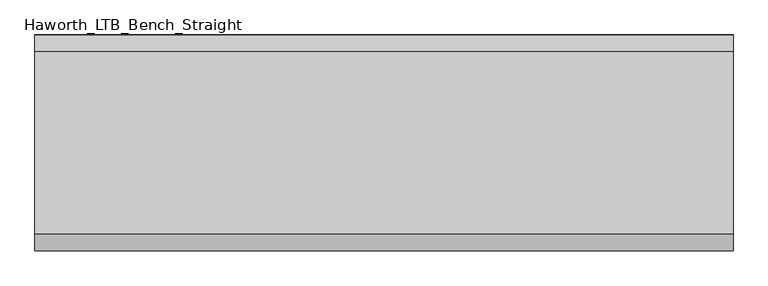
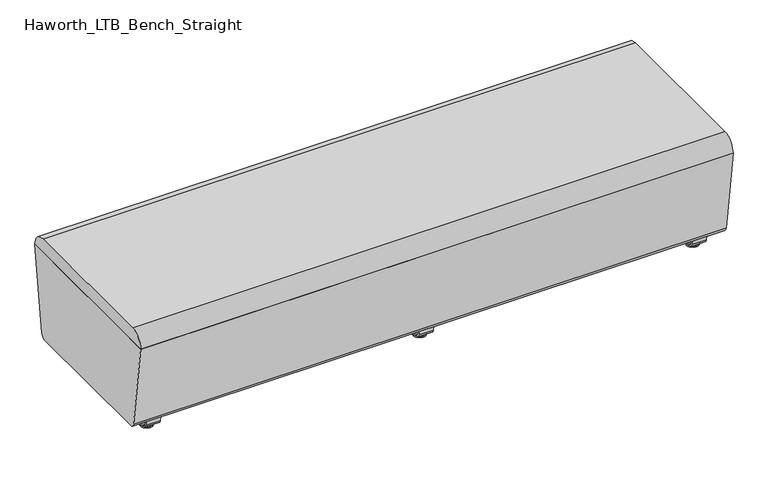
"""IFC4 building model written with IfcOpenShell, lengths in millimetres: furniture geometry, Haworth_LTB_Bench_Straight."""

from ifc_helpers import new_model, si_unit, point, frame, frame_2d, origin, place, context, project, spatial, polyline, circle_curve, ellipse_curve, trimmed, segment, composite_curve, outline, extrude, source, transform, mapped, element, save
from ifc_brep_helpers import plane_surface, cylinder_surface, revolved_surface, advanced_brep


def haworth_ltb_bench_straight_1d1fada4(model_context):
    return source(origin(), model_context, "Body", "SolidModel", [
        advanced_brep(
        [(0.0, -211.0425052, 7.8133431), (0.0, -227.0355515, 7.8133431), (0.0, -223.8015284, 7.8133431), (0.0, -214.2765284, 7.8133431), (0.0, -197.1001513, 4.0775), (0.0, -240.9779054, 4.0775), (0.0, -197.5107026, 0.0), (0.0, -240.5673542, 0.0), (0.0, -219.0390284, 0.0), (0.0, -214.2765284, 50.0000004), (0.0, -223.8015284, 50.0000004), (0.0, -219.0390284, 50.0000004)],
        [
            (0, 1, circle_curve(frame((0.0, -219.0390284, 7.8133431), z_axis=(0.0, 0.0, 1.0), x_axis=(0.0, -1.0, 0.0)), 7.9965232)),
            (1, 2),
            (2, 3, circle_curve(frame((0.0, -219.0390284, 7.8133431), z_axis=(0.0, 0.0, -1.0), x_axis=(0.0, -1.0, 0.0)), 4.7625)),
            (3, 0),
            (1, 0, circle_curve(frame((0.0, -219.0390284, 7.8133431), z_axis=(0.0, 0.0, 1.0), x_axis=(0.0, -1.0, 0.0)), 7.9965232)),
            (3, 2, circle_curve(frame((0.0, -219.0390284, 7.8133431), z_axis=(0.0, 0.0, -1.0), x_axis=(0.0, -1.0, 0.0)), 4.7625)),
            (4, 5, circle_curve(frame((0.0, -219.0390284, 4.0775), z_axis=(0.0, 0.0, 1.0), x_axis=(0.0, -1.0, 0.0)), 21.9388771)),
            (5, 1),
            (0, 4),
            (5, 4, circle_curve(frame((0.0, -219.0390284, 4.0775), z_axis=(0.0, 0.0, 1.0), x_axis=(0.0, -1.0, 0.0)), 21.9388771)),
            (6, 7, circle_curve(frame((0.0, -219.0390284, 0.0), z_axis=(0.0, 0.0, 1.0), x_axis=(0.0, -1.0, 0.0)), 21.5283258)),
            (7, 5, circle_curve(frame((0.0, -240.4405822, 2.0721829), z_axis=(-1.0, 0.0, 0.0), x_axis=(0.0, 1.0, 0.0)), 2.0760571)),
            (4, 6, circle_curve(frame((0.0, -197.6374745, 2.0721829), z_axis=(-1.0, 0.0, 0.0), x_axis=(0.0, -1.0, 0.0)), 2.0760571)),
            (7, 6, circle_curve(frame((0.0, -219.0390284, 0.0), z_axis=(0.0, 0.0, 1.0), x_axis=(0.0, -1.0, 0.0)), 21.5283258)),
            (8, 7),
            (6, 8),
            (9, 10, circle_curve(frame((0.0, -219.0390284, 50.0000004), z_axis=(0.0, 0.0, 1.0), x_axis=(0.0, -1.0, 0.0)), 4.7625)),
            (10, 11),
            (11, 9),
            (10, 9, circle_curve(frame((0.0, -219.0390284, 50.0000004), z_axis=(0.0, 0.0, 1.0), x_axis=(0.0, -1.0, 0.0)), 4.7625)),
            (2, 10),
            (9, 3),
        ],
        [
            plane_surface(frame((0.0, -219.0390284, 7.8133431), z_axis=(0.0, 0.0, 1.0), x_axis=(0.0, -1.0, 0.0))),
            revolved_surface(polyline([(0.0, -227.0355515, 7.8133431), (0.0, -240.9779054, 4.0775)]), (0.0, -219.0390284, 0.0), (0.0, 0.0, -1.0)),
            revolved_surface(trimmed(ellipse_curve(frame((0.0, -240.4405822, 2.0721829), z_axis=(1.0, 0.0, 0.0), x_axis=(0.0, 1.0, 0.0)), 2.0760571, 2.0760571), [point((0.0, -240.9779054, 4.0775))], [point((0.0, -240.5673542, 0.0))], True, "CARTESIAN"), (0.0, -219.0390284, 0.0), (0.0, 0.0, -1.0)),
            plane_surface(frame((0.0, -219.0390284, 0.0), z_axis=(0.0, 0.0, -1.0), x_axis=(0.0, -1.0, 0.0))),
            plane_surface(frame((0.0, -219.0390284, 50.0000004), z_axis=(0.0, 0.0, 1.0), x_axis=(0.0, -1.0, 0.0))),
            cylinder_surface(frame((0.0, -219.0390284, 0.0), z_axis=(0.0, 0.0, -1.0), x_axis=(0.0, -1.0, 0.0)), 4.7625),
        ],
        [
            (0, [[1, 2, 3, 4]]),
            (0, [[5, -4, 6, -2]]),
            (1, [[7, 8, -1, 9]]),
            (1, [[10, -9, -5, -8]]),
            (2, [[11, 12, -7, 13]]),
            (2, [[14, -13, -10, -12]]),
            (3, [[15, -11, 16]]),
            (3, [[-16, -14, -15]]),
            (4, [[17, 18, 19]]),
            (4, [[20, -19, -18]]),
            (5, [[-3, 21, -17, 22]]),
            (5, [[-6, -22, -20, -21]]),
        ],
    ),
        advanced_brep(
        [(0.0, 214.2765284, 7.8133431), (0.0, 223.8015284, 7.8133431), (0.0, 227.0355515, 7.8133431), (0.0, 211.0425052, 7.8133431), (0.0, 240.9779054, 4.0775), (0.0, 197.1001513, 4.0775), (0.0, 240.5673542, 0.0), (0.0, 197.5107026, 0.0), (0.0, 219.0390284, 0.0), (0.0, 219.0390284, 50.0000004), (0.0, 223.8015284, 50.0000004), (0.0, 214.2765284, 50.0000004)],
        [
            (0, 1, circle_curve(frame((0.0, 219.0390284, 7.8133431), z_axis=(0.0, 0.0, -1.0), x_axis=(0.0, 1.0, 0.0)), 4.7625)),
            (1, 2),
            (2, 3, circle_curve(frame((0.0, 219.0390284, 7.8133431), z_axis=(0.0, 0.0, 1.0), x_axis=(0.0, 1.0, 0.0)), 7.9965232)),
            (3, 0),
            (1, 0, circle_curve(frame((0.0, 219.0390284, 7.8133431), z_axis=(0.0, 0.0, -1.0), x_axis=(0.0, 1.0, 0.0)), 4.7625)),
            (3, 2, circle_curve(frame((0.0, 219.0390284, 7.8133431), z_axis=(0.0, 0.0, 1.0), x_axis=(0.0, 1.0, 0.0)), 7.9965232)),
            (2, 4),
            (4, 5, circle_curve(frame((0.0, 219.0390284, 4.0775), z_axis=(0.0, 0.0, 1.0), x_axis=(0.0, 1.0, 0.0)), 21.9388771)),
            (5, 3),
            (5, 4, circle_curve(frame((0.0, 219.0390284, 4.0775), z_axis=(0.0, 0.0, 1.0), x_axis=(0.0, 1.0, 0.0)), 21.9388771)),
            (4, 6, circle_curve(frame((0.0, 240.4405822, 2.0721829), z_axis=(-1.0, 0.0, 0.0), x_axis=(0.0, -1.0, 0.0)), 2.0760571)),
            (6, 7, circle_curve(frame((0.0, 219.0390284, 0.0), z_axis=(0.0, 0.0, 1.0), x_axis=(0.0, 1.0, 0.0)), 21.5283258)),
            (7, 5, circle_curve(frame((0.0, 197.6374745, 2.0721829), z_axis=(-1.0, 0.0, 0.0), x_axis=(0.0, 1.0, 0.0)), 2.0760571)),
            (7, 6, circle_curve(frame((0.0, 219.0390284, 0.0), z_axis=(0.0, 0.0, 1.0), x_axis=(0.0, 1.0, 0.0)), 21.5283258)),
            (6, 8),
            (8, 7),
            (9, 10),
            (10, 11, circle_curve(frame((0.0, 219.0390284, 50.0000004), z_axis=(0.0, 0.0, 1.0), x_axis=(0.0, 1.0, 0.0)), 4.7625)),
            (11, 9),
            (11, 10, circle_curve(frame((0.0, 219.0390284, 50.0000004), z_axis=(0.0, 0.0, 1.0), x_axis=(0.0, 1.0, 0.0)), 4.7625)),
            (10, 1),
            (0, 11),
        ],
        [
            plane_surface(frame((0.0, 219.0390284, 7.8133431), z_axis=(0.0, 0.0, 1.0), x_axis=(0.0, 1.0, 0.0))),
            revolved_surface(polyline([(0.0, 240.9779054, 4.0775), (0.0, 227.0355515, 7.8133431)]), (0.0, 219.0390284, 0.0), (0.0, 0.0, 1.0)),
            revolved_surface(trimmed(ellipse_curve(frame((0.0, 240.4405822, 2.0721829), z_axis=(1.0, 0.0, 0.0), x_axis=(0.0, -1.0, 0.0)), 2.0760571, 2.0760571), [point((0.0, 240.5673542, 0.0))], [point((0.0, 240.9779054, 4.0775))], True, "CARTESIAN"), (0.0, 219.0390284, 0.0), (0.0, 0.0, 1.0)),
            plane_surface(frame((0.0, 219.0390284, 0.0), z_axis=(0.0, 0.0, -1.0), x_axis=(0.0, 1.0, 0.0))),
            plane_surface(frame((0.0, 219.0390284, 50.0000004), z_axis=(0.0, 0.0, 1.0), x_axis=(0.0, 1.0, 0.0))),
            cylinder_surface(frame((0.0, 219.0390284, 0.0), z_axis=(0.0, 0.0, 1.0), x_axis=(0.0, 1.0, 0.0)), 4.7625),
        ],
        [
            (0, [[1, 2, 3, 4]]),
            (0, [[5, -4, 6, -2]]),
            (1, [[-3, 7, 8, 9]]),
            (1, [[-6, -9, 10, -7]]),
            (2, [[-8, 11, 12, 13]]),
            (2, [[-10, -13, 14, -11]]),
            (3, [[-12, 15, 16]]),
            (3, [[-14, -16, -15]]),
            (4, [[17, 18, 19]]),
            (4, [[-19, 20, -17]]),
            (5, [[-18, 21, -1, 22]]),
            (5, [[-20, -22, -5, -21]]),
        ],
    ),
        extrude(outline(composite_curve([segment(polyline([(264.8158944, 62.9950557), (259.8853496, 27.9124042)]), True, "CONTINUOUS"), segment(trimmed(circle_curve(frame_2d((245.0313276, 30.0000007)), 15.000001), [point((259.8853496, 27.9124042))], [point((245.0313276, 14.9999997))], False, "CARTESIAN"), True, "CONTINUOUS"), segment(polyline([(245.0313276, 14.9999997), (-245.0313276, 14.9999997)]), True, "CONTINUOUS"), segment(trimmed(circle_curve(frame_2d((-245.0313276, 30.0000007)), 15.000001), [point((-245.0313276, 14.9999997))], [point((-259.8853496, 27.9124042))], False, "CARTESIAN"), True, "CONTINUOUS"), segment(polyline([(-259.8853496, 27.9124042), (-264.8158944, 62.9950557), (-259.1812615, 63.7869505), (-254.2507241, 28.7043023)]), True, "CONTINUOUS"), segment(trimmed(circle_curve(frame_2d((-245.0313262, 30.0000023)), 9.310002), [point((-254.2507241, 28.7043023))], [point((-245.0313262, 20.6900003))], True, "CARTESIAN"), True, "CONTINUOUS"), segment(polyline([(-245.0313262, 20.6900003), (245.0313262, 20.6900003)]), True, "CONTINUOUS"), segment(trimmed(circle_curve(frame_2d((245.0313262, 30.0000023)), 9.310002), [point((245.0313262, 20.6900003))], [point((254.2507241, 28.7043023))], True, "CARTESIAN"), True, "CONTINUOUS"), segment(polyline([(254.2507241, 28.7043023), (259.1812615, 63.7869505), (264.8158944, 62.9950557)]), True, "CONTINUOUS")], self_intersect=False)), frame((-25.4, 0.0, 0.0), z_axis=(1.0, 0.0, 0.0), x_axis=(0.0, 1.0, 0.0)), (0.0, 0.0, 1.0), 50.8),
        advanced_brep(
        [(971.6045358, -211.0425052, 7.8133431), (971.6045358, -227.0355515, 7.8133431), (971.6045358, -223.8015284, 7.8133431), (971.6045358, -214.2765284, 7.8133431), (971.6045358, -197.1001513, 4.0775), (971.6045358, -240.9779054, 4.0775), (971.6045358, -197.5107026, 0.0), (971.6045358, -240.5673542, 0.0), (971.6045358, -219.0390284, 0.0), (971.6045358, -214.2765284, 50.0000004), (971.6045358, -223.8015284, 50.0000004), (971.6045358, -219.0390284, 50.0000004)],
        [
            (0, 1, circle_curve(frame((971.6045358, -219.0390284, 7.8133431), z_axis=(0.0, 0.0, 1.0), x_axis=(0.0, -1.0, 0.0)), 7.9965232)),
            (1, 2),
            (2, 3, circle_curve(frame((971.6045358, -219.0390284, 7.8133431), z_axis=(0.0, 0.0, -1.0), x_axis=(0.0, -1.0, 0.0)), 4.7625)),
            (3, 0),
            (1, 0, circle_curve(frame((971.6045358, -219.0390284, 7.8133431), z_axis=(0.0, 0.0, 1.0), x_axis=(0.0, -1.0, 0.0)), 7.9965232)),
            (3, 2, circle_curve(frame((971.6045358, -219.0390284, 7.8133431), z_axis=(0.0, 0.0, -1.0), x_axis=(0.0, -1.0, 0.0)), 4.7625)),
            (4, 5, circle_curve(frame((971.6045358, -219.0390284, 4.0775), z_axis=(0.0, 0.0, 1.0), x_axis=(0.0, -1.0, 0.0)), 21.9388771)),
            (5, 1),
            (0, 4),
            (5, 4, circle_curve(frame((971.6045358, -219.0390284, 4.0775), z_axis=(0.0, 0.0, 1.0), x_axis=(0.0, -1.0, 0.0)), 21.9388771)),
            (6, 7, circle_curve(frame((971.6045358, -219.0390284, 0.0), z_axis=(0.0, 0.0, 1.0), x_axis=(0.0, -1.0, 0.0)), 21.5283258)),
            (7, 5, circle_curve(frame((971.6045358, -240.4405822, 2.0721829), z_axis=(-1.0, 0.0, 0.0), x_axis=(0.0, 1.0, 0.0)), 2.0760571)),
            (4, 6, circle_curve(frame((971.6045358, -197.6374745, 2.0721829), z_axis=(-1.0, 0.0, 0.0), x_axis=(0.0, -1.0, 0.0)), 2.0760571)),
            (7, 6, circle_curve(frame((971.6045358, -219.0390284, 0.0), z_axis=(0.0, 0.0, 1.0), x_axis=(0.0, -1.0, 0.0)), 21.5283258)),
            (8, 7),
            (6, 8),
            (9, 10, circle_curve(frame((971.6045358, -219.0390284, 50.0000004), z_axis=(0.0, 0.0, 1.0), x_axis=(0.0, -1.0, 0.0)), 4.7625)),
            (10, 11),
            (11, 9),
            (10, 9, circle_curve(frame((971.6045358, -219.0390284, 50.0000004), z_axis=(0.0, 0.0, 1.0), x_axis=(0.0, -1.0, 0.0)), 4.7625)),
            (2, 10),
            (9, 3),
        ],
        [
            plane_surface(frame((971.6045358, -219.0390284, 7.8133431), z_axis=(0.0, 0.0, 1.0), x_axis=(0.0, -1.0, 0.0))),
            revolved_surface(polyline([(971.6045358, -227.0355515, 7.8133431), (971.6045358, -240.9779054, 4.0775)]), (971.6045358, -219.0390284, 0.0), (0.0, 0.0, -1.0)),
            revolved_surface(trimmed(ellipse_curve(frame((971.6045358, -240.4405822, 2.0721829), z_axis=(1.0, 0.0, 0.0), x_axis=(0.0, 1.0, 0.0)), 2.0760571, 2.0760571), [point((971.6045358, -240.9779054, 4.0775))], [point((971.6045358, -240.5673542, 0.0))], True, "CARTESIAN"), (971.6045358, -219.0390284, 0.0), (0.0, 0.0, -1.0)),
            plane_surface(frame((971.6045358, -219.0390284, 0.0), z_axis=(0.0, 0.0, -1.0), x_axis=(0.0, -1.0, 0.0))),
            plane_surface(frame((971.6045358, -219.0390284, 50.0000004), z_axis=(0.0, 0.0, 1.0), x_axis=(0.0, -1.0, 0.0))),
            cylinder_surface(frame((971.6045358, -219.0390284, 0.0), z_axis=(0.0, 0.0, -1.0), x_axis=(0.0, -1.0, 0.0)), 4.7625),
        ],
        [
            (0, [[1, 2, 3, 4]]),
            (0, [[5, -4, 6, -2]]),
            (1, [[7, 8, -1, 9]]),
            (1, [[10, -9, -5, -8]]),
            (2, [[11, 12, -7, 13]]),
            (2, [[14, -13, -10, -12]]),
            (3, [[15, -11, 16]]),
            (3, [[-16, -14, -15]]),
            (4, [[17, 18, 19]]),
            (4, [[20, -19, -18]]),
            (5, [[-3, 21, -17, 22]]),
            (5, [[-6, -22, -20, -21]]),
        ],
    ),
        advanced_brep(
        [(971.6045358, 214.2765284, 7.8133431), (971.6045358, 223.8015284, 7.8133431), (971.6045358, 227.0355515, 7.8133431), (971.6045358, 211.0425052, 7.8133431), (971.6045358, 240.9779054, 4.0775), (971.6045358, 197.1001513, 4.0775), (971.6045358, 240.5673542, 0.0), (971.6045358, 197.5107026, 0.0), (971.6045358, 219.0390284, 0.0), (971.6045358, 219.0390284, 50.0000004), (971.6045358, 223.8015284, 50.0000004), (971.6045358, 214.2765284, 50.0000004)],
        [
            (0, 1, circle_curve(frame((971.6045358, 219.0390284, 7.8133431), z_axis=(0.0, 0.0, -1.0), x_axis=(0.0, 1.0, 0.0)), 4.7625)),
            (1, 2),
            (2, 3, circle_curve(frame((971.6045358, 219.0390284, 7.8133431), z_axis=(0.0, 0.0, 1.0), x_axis=(0.0, 1.0, 0.0)), 7.9965232)),
            (3, 0),
            (1, 0, circle_curve(frame((971.6045358, 219.0390284, 7.8133431), z_axis=(0.0, 0.0, -1.0), x_axis=(0.0, 1.0, 0.0)), 4.7625)),
            (3, 2, circle_curve(frame((971.6045358, 219.0390284, 7.8133431), z_axis=(0.0, 0.0, 1.0), x_axis=(0.0, 1.0, 0.0)), 7.9965232)),
            (2, 4),
            (4, 5, circle_curve(frame((971.6045358, 219.0390284, 4.0775), z_axis=(0.0, 0.0, 1.0), x_axis=(0.0, 1.0, 0.0)), 21.9388771)),
            (5, 3),
            (5, 4, circle_curve(frame((971.6045358, 219.0390284, 4.0775), z_axis=(0.0, 0.0, 1.0), x_axis=(0.0, 1.0, 0.0)), 21.9388771)),
            (4, 6, circle_curve(frame((971.6045358, 240.4405822, 2.0721829), z_axis=(-1.0, 0.0, 0.0), x_axis=(0.0, -1.0, 0.0)), 2.0760571)),
            (6, 7, circle_curve(frame((971.6045358, 219.0390284, 0.0), z_axis=(0.0, 0.0, 1.0), x_axis=(0.0, 1.0, 0.0)), 21.5283258)),
            (7, 5, circle_curve(frame((971.6045358, 197.6374745, 2.0721829), z_axis=(-1.0, 0.0, 0.0), x_axis=(0.0, 1.0, 0.0)), 2.0760571)),
            (7, 6, circle_curve(frame((971.6045358, 219.0390284, 0.0), z_axis=(0.0, 0.0, 1.0), x_axis=(0.0, 1.0, 0.0)), 21.5283258)),
            (6, 8),
            (8, 7),
            (9, 10),
            (10, 11, circle_curve(frame((971.6045358, 219.0390284, 50.0000004), z_axis=(0.0, 0.0, 1.0), x_axis=(0.0, 1.0, 0.0)), 4.7625)),
            (11, 9),
            (11, 10, circle_curve(frame((971.6045358, 219.0390284, 50.0000004), z_axis=(0.0, 0.0, 1.0), x_axis=(0.0, 1.0, 0.0)), 4.7625)),
            (10, 1),
            (0, 11),
        ],
        [
            plane_surface(frame((971.6045358, 219.0390284, 7.8133431), z_axis=(0.0, 0.0, 1.0), x_axis=(0.0, 1.0, 0.0))),
            revolved_surface(polyline([(971.6045358, 240.9779054, 4.0775), (971.6045358, 227.0355515, 7.8133431)]), (971.6045358, 219.0390284, 0.0), (0.0, 0.0, 1.0)),
            revolved_surface(trimmed(ellipse_curve(frame((971.6045358, 240.4405822, 2.0721829), z_axis=(1.0, 0.0, 0.0), x_axis=(0.0, -1.0, 0.0)), 2.0760571, 2.0760571), [point((971.6045358, 240.5673542, 0.0))], [point((971.6045358, 240.9779054, 4.0775))], True, "CARTESIAN"), (971.6045358, 219.0390284, 0.0), (0.0, 0.0, 1.0)),
            plane_surface(frame((971.6045358, 219.0390284, 0.0), z_axis=(0.0, 0.0, -1.0), x_axis=(0.0, 1.0, 0.0))),
            plane_surface(frame((971.6045358, 219.0390284, 50.0000004), z_axis=(0.0, 0.0, 1.0), x_axis=(0.0, 1.0, 0.0))),
            cylinder_surface(frame((971.6045358, 219.0390284, 0.0), z_axis=(0.0, 0.0, 1.0), x_axis=(0.0, 1.0, 0.0)), 4.7625),
        ],
        [
            (0, [[1, 2, 3, 4]]),
            (0, [[5, -4, 6, -2]]),
            (1, [[-3, 7, 8, 9]]),
            (1, [[-6, -9, 10, -7]]),
            (2, [[-8, 11, 12, 13]]),
            (2, [[-10, -13, 14, -11]]),
            (3, [[-12, 15, 16]]),
            (3, [[-14, -16, -15]]),
            (4, [[17, 18, 19]]),
            (4, [[-19, 20, -17]]),
            (5, [[-18, 21, -1, 22]]),
            (5, [[-20, -22, -5, -21]]),
        ],
    ),
        extrude(outline(composite_curve([segment(polyline([(264.8158944, 62.9950557), (259.8853496, 27.9124042)]), True, "CONTINUOUS"), segment(trimmed(circle_curve(frame_2d((245.0313276, 30.0000007)), 15.000001), [point((259.8853496, 27.9124042))], [point((245.0313276, 14.9999997))], False, "CARTESIAN"), True, "CONTINUOUS"), segment(polyline([(245.0313276, 14.9999997), (-245.0313276, 14.9999997)]), True, "CONTINUOUS"), segment(trimmed(circle_curve(frame_2d((-245.0313276, 30.0000007)), 15.000001), [point((-245.0313276, 14.9999997))], [point((-259.8853496, 27.9124042))], False, "CARTESIAN"), True, "CONTINUOUS"), segment(polyline([(-259.8853496, 27.9124042), (-264.8158944, 62.9950557), (-259.1812615, 63.7869505), (-254.2507241, 28.7043023)]), True, "CONTINUOUS"), segment(trimmed(circle_curve(frame_2d((-245.0313262, 30.0000023)), 9.310002), [point((-254.2507241, 28.7043023))], [point((-245.0313262, 20.6900003))], True, "CARTESIAN"), True, "CONTINUOUS"), segment(polyline([(-245.0313262, 20.6900003), (245.0313262, 20.6900003)]), True, "CONTINUOUS"), segment(trimmed(circle_curve(frame_2d((245.0313262, 30.0000023)), 9.310002), [point((245.0313262, 20.6900003))], [point((254.2507241, 28.7043023))], True, "CARTESIAN"), True, "CONTINUOUS"), segment(polyline([(254.2507241, 28.7043023), (259.1812615, 63.7869505), (264.8158944, 62.9950557)]), True, "CONTINUOUS")], self_intersect=False)), frame((946.2045358, 0.0, 0.0), z_axis=(1.0, 0.0, 0.0), x_axis=(0.0, 1.0, 0.0)), (0.0, 0.0, 1.0), 50.8),
        advanced_brep(
        [(-971.6045358, -214.2765284, 7.8133431), (-971.6045358, -223.8015284, 7.8133431), (-971.6045358, -227.0355515, 7.8133431), (-971.6045358, -211.0425052, 7.8133431), (-971.6045358, -240.9779054, 4.0775), (-971.6045358, -197.1001513, 4.0775), (-971.6045358, -240.5673542, 0.0), (-971.6045358, -197.5107026, 0.0), (-971.6045358, -219.0390284, 0.0), (-971.6045358, -219.0390284, 50.0000004), (-971.6045358, -223.8015284, 50.0000004), (-971.6045358, -214.2765284, 50.0000004)],
        [
            (0, 1, circle_curve(frame((-971.6045358, -219.0390284, 7.8133431), z_axis=(0.0, 0.0, -1.0), x_axis=(0.0, -1.0, 0.0)), 4.7625)),
            (1, 2),
            (2, 3, circle_curve(frame((-971.6045358, -219.0390284, 7.8133431), z_axis=(0.0, 0.0, 1.0), x_axis=(0.0, -1.0, 0.0)), 7.9965232)),
            (3, 0),
            (1, 0, circle_curve(frame((-971.6045358, -219.0390284, 7.8133431), z_axis=(0.0, 0.0, -1.0), x_axis=(0.0, -1.0, 0.0)), 4.7625)),
            (3, 2, circle_curve(frame((-971.6045358, -219.0390284, 7.8133431), z_axis=(0.0, 0.0, 1.0), x_axis=(0.0, -1.0, 0.0)), 7.9965232)),
            (2, 4),
            (4, 5, circle_curve(frame((-971.6045358, -219.0390284, 4.0775), z_axis=(0.0, 0.0, 1.0), x_axis=(0.0, -1.0, 0.0)), 21.9388771)),
            (5, 3),
            (5, 4, circle_curve(frame((-971.6045358, -219.0390284, 4.0775), z_axis=(0.0, 0.0, 1.0), x_axis=(0.0, -1.0, 0.0)), 21.9388771)),
            (4, 6, circle_curve(frame((-971.6045358, -240.4405822, 2.0721829), z_axis=(1.0, 0.0, 0.0), x_axis=(0.0, 1.0, 0.0)), 2.0760571)),
            (6, 7, circle_curve(frame((-971.6045358, -219.0390284, 0.0), z_axis=(0.0, 0.0, 1.0), x_axis=(0.0, -1.0, 0.0)), 21.5283258)),
            (7, 5, circle_curve(frame((-971.6045358, -197.6374745, 2.0721829), z_axis=(1.0, 0.0, 0.0), x_axis=(0.0, -1.0, 0.0)), 2.0760571)),
            (7, 6, circle_curve(frame((-971.6045358, -219.0390284, 0.0), z_axis=(0.0, 0.0, 1.0), x_axis=(0.0, -1.0, 0.0)), 21.5283258)),
            (6, 8),
            (8, 7),
            (9, 10),
            (10, 11, circle_curve(frame((-971.6045358, -219.0390284, 50.0000004), z_axis=(0.0, 0.0, 1.0), x_axis=(0.0, -1.0, 0.0)), 4.7625)),
            (11, 9),
            (11, 10, circle_curve(frame((-971.6045358, -219.0390284, 50.0000004), z_axis=(0.0, 0.0, 1.0), x_axis=(0.0, -1.0, 0.0)), 4.7625)),
            (10, 1),
            (0, 11),
        ],
        [
            plane_surface(frame((-971.6045358, -219.0390284, 7.8133431), z_axis=(0.0, 0.0, 1.0), x_axis=(0.0, -1.0, 0.0))),
            revolved_surface(polyline([(-971.6045358, -240.9779054, 4.0775), (-971.6045358, -227.0355515, 7.8133431)]), (-971.6045358, -219.0390284, 0.0), (0.0, 0.0, 1.0)),
            revolved_surface(trimmed(ellipse_curve(frame((-971.6045358, -240.4405822, 2.0721829), z_axis=(-1.0, 0.0, 0.0), x_axis=(0.0, 1.0, 0.0)), 2.0760571, 2.0760571), [point((-971.6045358, -240.5673542, 0.0))], [point((-971.6045358, -240.9779054, 4.0775))], True, "CARTESIAN"), (-971.6045358, -219.0390284, 0.0), (0.0, 0.0, 1.0)),
            plane_surface(frame((-971.6045358, -219.0390284, 0.0), z_axis=(0.0, 0.0, -1.0), x_axis=(0.0, -1.0, 0.0))),
            plane_surface(frame((-971.6045358, -219.0390284, 50.0000004), z_axis=(0.0, 0.0, 1.0), x_axis=(0.0, -1.0, 0.0))),
            cylinder_surface(frame((-971.6045358, -219.0390284, 0.0), z_axis=(0.0, 0.0, 1.0), x_axis=(0.0, -1.0, 0.0)), 4.7625),
        ],
        [
            (0, [[1, 2, 3, 4]]),
            (0, [[5, -4, 6, -2]]),
            (1, [[-3, 7, 8, 9]]),
            (1, [[-6, -9, 10, -7]]),
            (2, [[-8, 11, 12, 13]]),
            (2, [[-10, -13, 14, -11]]),
            (3, [[-12, 15, 16]]),
            (3, [[-14, -16, -15]]),
            (4, [[17, 18, 19]]),
            (4, [[-19, 20, -17]]),
            (5, [[-18, 21, -1, 22]]),
            (5, [[-20, -22, -5, -21]]),
        ],
    ),
        advanced_brep(
        [(-971.6045358, 211.0425052, 7.8133431), (-971.6045358, 227.0355515, 7.8133431), (-971.6045358, 223.8015284, 7.8133431), (-971.6045358, 214.2765284, 7.8133431), (-971.6045358, 197.1001513, 4.0775), (-971.6045358, 240.9779054, 4.0775), (-971.6045358, 197.5107026, 0.0), (-971.6045358, 240.5673542, 0.0), (-971.6045358, 219.0390284, 0.0), (-971.6045358, 214.2765284, 50.0000004), (-971.6045358, 223.8015284, 50.0000004), (-971.6045358, 219.0390284, 50.0000004)],
        [
            (0, 1, circle_curve(frame((-971.6045358, 219.0390284, 7.8133431), z_axis=(0.0, 0.0, 1.0), x_axis=(0.0, 1.0, 0.0)), 7.9965232)),
            (1, 2),
            (2, 3, circle_curve(frame((-971.6045358, 219.0390284, 7.8133431), z_axis=(0.0, 0.0, -1.0), x_axis=(0.0, 1.0, 0.0)), 4.7625)),
            (3, 0),
            (1, 0, circle_curve(frame((-971.6045358, 219.0390284, 7.8133431), z_axis=(0.0, 0.0, 1.0), x_axis=(0.0, 1.0, 0.0)), 7.9965232)),
            (3, 2, circle_curve(frame((-971.6045358, 219.0390284, 7.8133431), z_axis=(0.0, 0.0, -1.0), x_axis=(0.0, 1.0, 0.0)), 4.7625)),
            (4, 5, circle_curve(frame((-971.6045358, 219.0390284, 4.0775), z_axis=(0.0, 0.0, 1.0), x_axis=(0.0, 1.0, 0.0)), 21.9388771)),
            (5, 1),
            (0, 4),
            (5, 4, circle_curve(frame((-971.6045358, 219.0390284, 4.0775), z_axis=(0.0, 0.0, 1.0), x_axis=(0.0, 1.0, 0.0)), 21.9388771)),
            (6, 7, circle_curve(frame((-971.6045358, 219.0390284, 0.0), z_axis=(0.0, 0.0, 1.0), x_axis=(0.0, 1.0, 0.0)), 21.5283258)),
            (7, 5, circle_curve(frame((-971.6045358, 240.4405822, 2.0721829), z_axis=(1.0, 0.0, 0.0), x_axis=(0.0, -1.0, 0.0)), 2.0760571)),
            (4, 6, circle_curve(frame((-971.6045358, 197.6374745, 2.0721829), z_axis=(1.0, 0.0, 0.0), x_axis=(0.0, 1.0, 0.0)), 2.0760571)),
            (7, 6, circle_curve(frame((-971.6045358, 219.0390284, 0.0), z_axis=(0.0, 0.0, 1.0), x_axis=(0.0, 1.0, 0.0)), 21.5283258)),
            (8, 7),
            (6, 8),
            (9, 10, circle_curve(frame((-971.6045358, 219.0390284, 50.0000004), z_axis=(0.0, 0.0, 1.0), x_axis=(0.0, 1.0, 0.0)), 4.7625)),
            (10, 11),
            (11, 9),
            (10, 9, circle_curve(frame((-971.6045358, 219.0390284, 50.0000004), z_axis=(0.0, 0.0, 1.0), x_axis=(0.0, 1.0, 0.0)), 4.7625)),
            (2, 10),
            (9, 3),
        ],
        [
            plane_surface(frame((-971.6045358, 219.0390284, 7.8133431), z_axis=(0.0, 0.0, 1.0), x_axis=(0.0, 1.0, 0.0))),
            revolved_surface(polyline([(-971.6045358, 227.0355515, 7.8133431), (-971.6045358, 240.9779054, 4.0775)]), (-971.6045358, 219.0390284, 0.0), (0.0, 0.0, -1.0)),
            revolved_surface(trimmed(ellipse_curve(frame((-971.6045358, 240.4405822, 2.0721829), z_axis=(-1.0, 0.0, 0.0), x_axis=(0.0, -1.0, 0.0)), 2.0760571, 2.0760571), [point((-971.6045358, 240.9779054, 4.0775))], [point((-971.6045358, 240.5673542, 0.0))], True, "CARTESIAN"), (-971.6045358, 219.0390284, 0.0), (0.0, 0.0, -1.0)),
            plane_surface(frame((-971.6045358, 219.0390284, 0.0), z_axis=(0.0, 0.0, -1.0), x_axis=(0.0, 1.0, 0.0))),
            plane_surface(frame((-971.6045358, 219.0390284, 50.0000004), z_axis=(0.0, 0.0, 1.0), x_axis=(0.0, 1.0, 0.0))),
            cylinder_surface(frame((-971.6045358, 219.0390284, 0.0), z_axis=(0.0, 0.0, -1.0), x_axis=(0.0, 1.0, 0.0)), 4.7625),
        ],
        [
            (0, [[1, 2, 3, 4]]),
            (0, [[5, -4, 6, -2]]),
            (1, [[7, 8, -1, 9]]),
            (1, [[10, -9, -5, -8]]),
            (2, [[11, 12, -7, 13]]),
            (2, [[14, -13, -10, -12]]),
            (3, [[15, -11, 16]]),
            (3, [[-16, -14, -15]]),
            (4, [[17, 18, 19]]),
            (4, [[20, -19, -18]]),
            (5, [[-3, 21, -17, 22]]),
            (5, [[-6, -22, -20, -21]]),
        ],
    ),
        extrude(outline(composite_curve([segment(polyline([(264.8158944, 62.9950557), (259.8853496, 27.9124042)]), True, "CONTINUOUS"), segment(trimmed(circle_curve(frame_2d((245.0313276, 30.0000007)), 15.000001), [point((259.8853496, 27.9124042))], [point((245.0313276, 14.9999997))], False, "CARTESIAN"), True, "CONTINUOUS"), segment(polyline([(245.0313276, 14.9999997), (-245.0313276, 14.9999997)]), True, "CONTINUOUS"), segment(trimmed(circle_curve(frame_2d((-245.0313276, 30.0000007)), 15.000001), [point((-245.0313276, 14.9999997))], [point((-259.8853496, 27.9124042))], False, "CARTESIAN"), True, "CONTINUOUS"), segment(polyline([(-259.8853496, 27.9124042), (-264.8158944, 62.9950557), (-259.1812615, 63.7869505), (-254.2507241, 28.7043023)]), True, "CONTINUOUS"), segment(trimmed(circle_curve(frame_2d((-245.0313262, 30.0000023)), 9.310002), [point((-254.2507241, 28.7043023))], [point((-245.0313262, 20.6900003))], True, "CARTESIAN"), True, "CONTINUOUS"), segment(polyline([(-245.0313262, 20.6900003), (245.0313262, 20.6900003)]), True, "CONTINUOUS"), segment(trimmed(circle_curve(frame_2d((245.0313262, 30.0000023)), 9.310002), [point((245.0313262, 20.6900003))], [point((254.2507241, 28.7043023))], True, "CARTESIAN"), True, "CONTINUOUS"), segment(polyline([(254.2507241, 28.7043023), (259.1812615, 63.7869505), (264.8158944, 62.9950557)]), True, "CONTINUOUS")], self_intersect=False)), frame((-997.0045358, 0.0, 0.0), z_axis=(1.0, 0.0, 0.0), x_axis=(0.0, 1.0, 0.0)), (0.0, 0.0, 1.0), 50.8),
        extrude(outline(composite_curve([segment(trimmed(circle_curve(frame_2d((264.0390314, 68.9999996)), 18.9999992), [point((282.8541239, 66.3557108))], [point((264.0390314, 50.0000004))], False, "CARTESIAN"), True, "CONTINUOUS"), segment(polyline([(264.0390314, 50.0000004), (-264.0390314, 50.0000004)]), True, "CONTINUOUS"), segment(trimmed(circle_curve(frame_2d((-264.0390314, 68.9999996)), 18.9999992), [point((-264.0390314, 50.0000004))], [point((-282.8541239, 66.3557108))], False, "CARTESIAN"), True, "CONTINUOUS"), segment(polyline([(-282.8541239, 66.3557108), (-326.1820603, 374.65), (326.1820603, 374.65), (282.8541239, 66.3557108)]), True, "CONTINUOUS")], self_intersect=False)), frame((-1054.1, 0.0, 0.0), z_axis=(1.0, 0.0, 0.0), x_axis=(0.0, 1.0, 0.0)), (0.0, 0.0, 1.0), 2108.2),
        extrude(outline(composite_curve([segment(trimmed(circle_curve(frame_2d((276.2364582, 375.0527771)), 49.9472261), [point((276.2364583, 425.0000032))], [point((326.1820603, 374.65))], False, "CARTESIAN"), True, "CONTINUOUS"), segment(polyline([(326.1820603, 374.65), (-326.1820603, 374.65)]), True, "CONTINUOUS"), segment(trimmed(circle_curve(frame_2d((-276.2364582, 375.0527771)), 49.9472261), [point((-326.1820603, 374.65))], [point((-276.2364582, 425.0000032))], False, "CARTESIAN"), True, "CONTINUOUS"), segment(polyline([(-276.2364582, 425.0000032), (276.2364583, 425.0000032)]), True, "CONTINUOUS")], self_intersect=False)), frame((-1054.1, 0.0, 0.0), z_axis=(1.0, 0.0, 0.0), x_axis=(0.0, 1.0, 0.0)), (0.0, 0.0, 1.0), 2108.2),
    ])


if __name__ == "__main__":
    model = new_model("IFC4")
    model_context = context("Model", 3, world=origin())
    ifc_project = project(units=[si_unit("LENGTHUNIT", "METRE", prefix="MILLI")], contexts=[model_context])
    site = spatial("IfcSite", under=ifc_project)
    building = spatial("IfcBuilding", under=site)
    placement = place(None, origin())
    haworth_ltb_bench_straight_shape = haworth_ltb_bench_straight_1d1fada4(model_context)
    element("IfcFurniture", 1, ObjectType="Haworth_LTB_Bench_Straight", at=placement, inside=building, context=model_context, shape_type="MappedRepresentation", body=[
        mapped(haworth_ltb_bench_straight_shape, transform((0.0, 0.0, 0.0), x_axis=(1.0, 0.0, 0.0), y_axis=(0.0, 1.0, 0.0), z_axis=(0.0, 0.0, 1.0))),
    ])
    save(model, "model.ifc")
